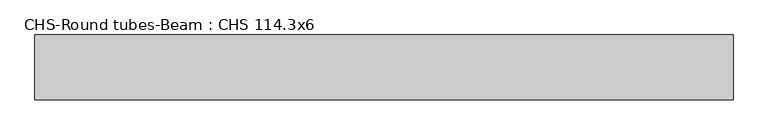
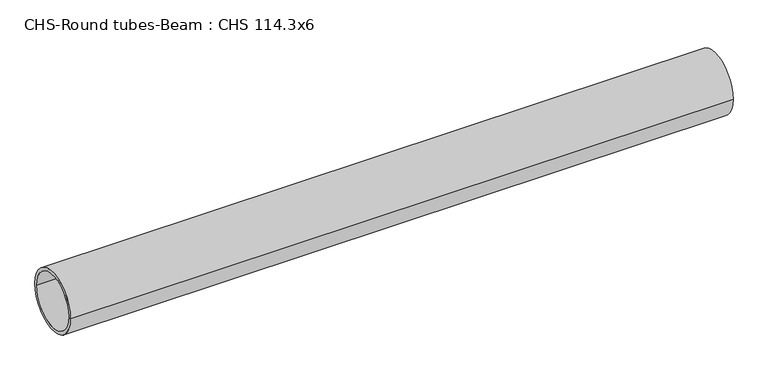
"""IFC4 building model written with IfcOpenShell, lengths in millimetres: beam geometry, CHS-Round tubes-Beam : CHS 114.3x6."""

from ifc_helpers import new_model, si_unit, point, frame, origin, origin_2d, place, context, project, spatial, circle_curve, trimmed, segment, composite_curve, outline, extrude, source, transform, mapped, element, save


def chs_round_tubes_beam_chs_114_3x6_40bccef6(model_context):
    return source(origin(), model_context, "Body", "SweptSolid", [
        extrude(outline(composite_curve([segment(trimmed(circle_curve(origin_2d(), 57.15), [point((57.15, 0.0))], [point((-57.15, 0.0))], False, "CARTESIAN"), True, "CONTINUOUS"), segment(trimmed(circle_curve(origin_2d(), 57.15), [point((-57.15, 0.0))], [point((57.15, 0.0))], False, "CARTESIAN"), True, "CONTINUOUS")], self_intersect=False), holes=[composite_curve([segment(trimmed(circle_curve(origin_2d(), 51.15), [point((51.15, 0.0))], [point((-51.15, 0.0))], True, "CARTESIAN"), True, "CONTINUOUS"), segment(trimmed(circle_curve(origin_2d(), 51.15), [point((-51.15, 0.0))], [point((51.15, 0.0))], True, "CARTESIAN"), True, "CONTINUOUS")], self_intersect=False)]), frame((-616.205609, 0.0, 0.0), z_axis=(1.0, 0.0, 0.0), x_axis=(0.0, 1.0, 0.0)), (0.0, 0.0, 1.0), 1232.4099085),
    ])


if __name__ == "__main__":
    model = new_model("IFC4")
    model_context = context("Model", 3, world=origin())
    ifc_project = project(units=[si_unit("LENGTHUNIT", "METRE", prefix="MILLI")], contexts=[model_context])
    site = spatial("IfcSite", under=ifc_project)
    building = spatial("IfcBuilding", under=site)
    placement = place(None, origin())
    chs_round_tubes_beam_chs_114_3x6_shape = chs_round_tubes_beam_chs_114_3x6_40bccef6(model_context)
    element("IfcBeam", 1, ObjectType="CHS-Round tubes-Beam : CHS 114.3x6", at=placement, inside=building, context=model_context, shape_type="MappedRepresentation", body=[
        mapped(chs_round_tubes_beam_chs_114_3x6_shape, transform((0.0, 0.0, 0.0), x_axis=(1.0, 0.0, 0.0), y_axis=(0.0, 1.0, 0.0), z_axis=(0.0, 0.0, 1.0))),
    ])
    save(model, "model.ifc")
